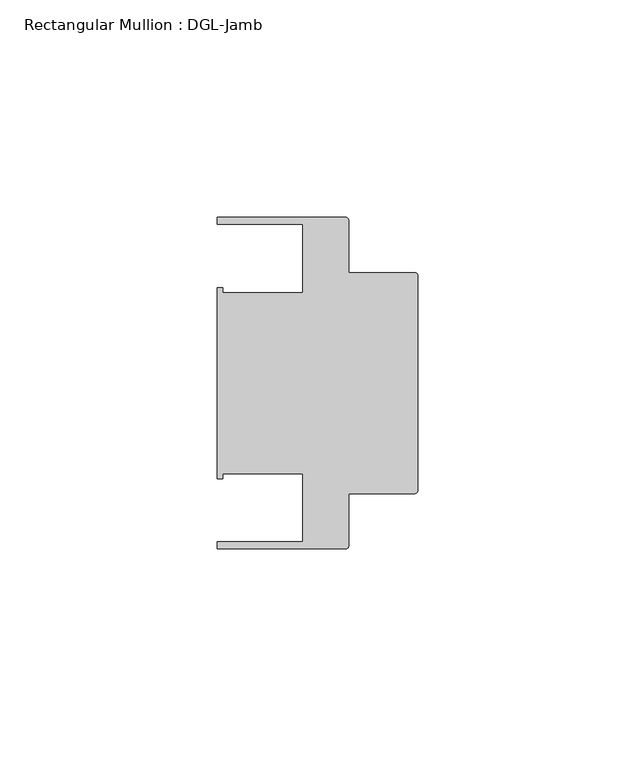
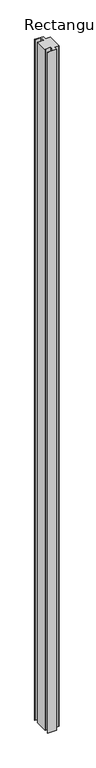
"""IFC4 building model written with IfcOpenShell, lengths in millimetres: member geometry, Rectangular Mullion : DGL-Jamb."""

from ifc_helpers import new_model, si_unit, point, frame, frame_2d, origin, place, context, project, spatial, polyline, circle_curve, trimmed, segment, composite_curve, outline, extrude, source, transform, mapped, element, save


def rectangular_mullion_dgl_jamb_b217c44b(model_context):
    return source(origin(), model_context, "Body", "SweptSolid", [
        extrude(outline(composite_curve([segment(polyline([(-0.5953125, -25.4), (-15.8750672, -25.4), (-15.8750672, -37.5043667)]), True, "CONTINUOUS"), segment(trimmed(circle_curve(frame_2d((-16.4703797, -37.5043667)), 0.5953125), [point((-15.8750672, -37.5043667))], [point((-16.4703797, -38.0996792))], False, "CARTESIAN"), True, "CONTINUOUS"), segment(polyline([(-16.4703797, -38.0996792), (-46.0339598, -38.0996792), (-46.0339598, -36.512516), (-26.3720794, -36.512516), (-26.3720794, -20.8257348), (-44.7780305, -20.8257348), (-44.7780305, -21.9710976), (-46.0339598, -21.9710976), (-46.0339598, 21.9710976), (-44.7780305, 21.9710976), (-44.7780305, 20.8257348), (-26.3720794, 20.8257348), (-26.3720794, 36.512516), (-46.0248655, 36.512516), (-46.0248655, 38.100016), (-16.4703797, 38.100016)]), True, "CONTINUOUS"), segment(trimmed(circle_curve(frame_2d((-16.4703797, 37.5047035)), 0.5953125), [point((-16.4703797, 38.100016))], [point((-15.8750672, 37.5047035))], False, "CARTESIAN"), True, "CONTINUOUS"), segment(polyline([(-15.8750672, 37.5047035), (-15.8750672, 25.4), (-0.5953125, 25.4)]), True, "CONTINUOUS"), segment(trimmed(circle_curve(frame_2d((-0.5953125, 24.8046875)), 0.5953125), [point((-0.5953125, 25.4))], [point((0.0, 24.8046875))], False, "CARTESIAN"), True, "CONTINUOUS"), segment(polyline([(0.0, 24.8046875), (0.0, -24.8046875)]), True, "CONTINUOUS"), segment(trimmed(circle_curve(frame_2d((-0.5953125, -24.8046875)), 0.5953125), [point((0.0, -24.8046875))], [point((-0.5953125, -25.4))], False, "CARTESIAN"), True, "CONTINUOUS")], self_intersect=False)), frame((0.0, 0.0, -2438.4), z_axis=(0.0, 0.0, 1.0), x_axis=(1.0, 0.0, 0.0)), (0.0, 0.0, 1.0), 2438.4),
    ])


if __name__ == "__main__":
    model = new_model("IFC4")
    model_context = context("Model", 3, world=origin())
    ifc_project = project(units=[si_unit("LENGTHUNIT", "METRE", prefix="MILLI")], contexts=[model_context])
    site = spatial("IfcSite", under=ifc_project)
    building = spatial("IfcBuilding", under=site)
    placement = place(None, origin())
    rectangular_mullion_dgl_jamb_shape = rectangular_mullion_dgl_jamb_b217c44b(model_context)
    element("IfcMember", 1, ObjectType="Rectangular Mullion : DGL-Jamb", at=placement, inside=building, context=model_context, shape_type="MappedRepresentation", body=[
        mapped(rectangular_mullion_dgl_jamb_shape, transform((0.0, 0.0, 0.0), x_axis=(1.0, 0.0, 0.0), y_axis=(0.0, 1.0, 0.0), z_axis=(0.0, 0.0, 1.0))),
    ])
    save(model, "model.ifc")
